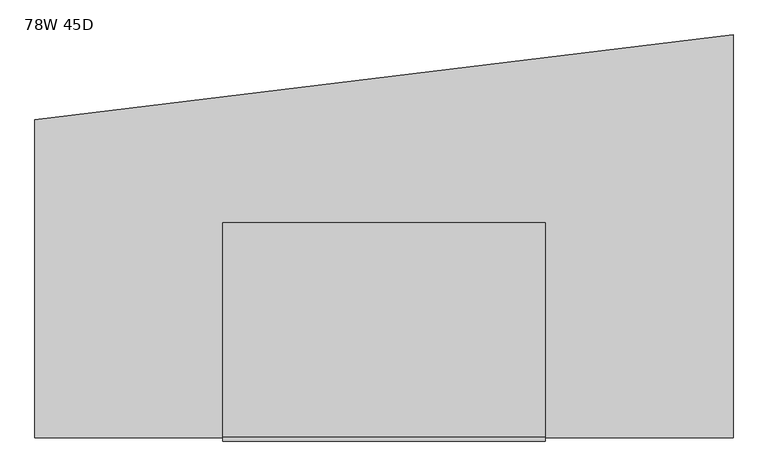
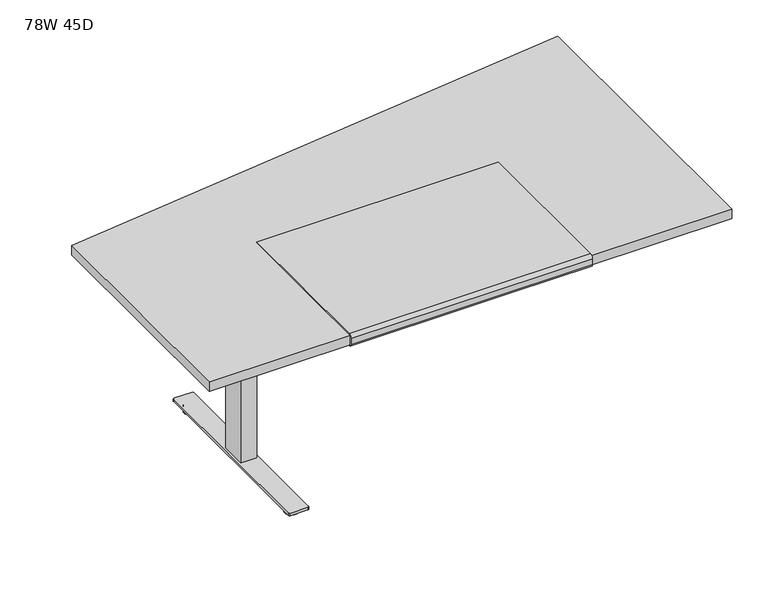
"""IFC4 building model written with IfcOpenShell, lengths in millimetres: furniture geometry, 78W 45D."""

from ifc_helpers import new_model, si_unit, point, frame, frame_2d, origin, origin_with_axes, place, context, project, spatial, polyline, circle_curve, trimmed, segment, composite_curve, outline, extrude, source, transform, mapped, element, save


def furniture_78w_45d_086e8bfa(model_context):
    return source(origin(), model_context, "Body", "SweptSolid", [
        extrude(outline(composite_curve([segment(polyline([(-1152.3981828, 711.2566341), (-1152.3981828, 706.2597008)]), True, "CONTINUOUS"), segment(trimmed(circle_curve(frame_2d((-1152.3981828, 718.9597008)), 12.7), [point((-1152.3981828, 706.2597008))], [point((-1165.0981828, 718.9597008))], False, "CARTESIAN"), True, "CONTINUOUS"), segment(polyline([(-1165.0981828, 718.9597008), (-1165.0981828, 741.3625)]), True, "CONTINUOUS"), segment(trimmed(circle_curve(frame_2d((-1152.3981828, 741.3625)), 12.7), [point((-1165.0981828, 741.3625))], [point((-1152.3981828, 754.0625))], False, "CARTESIAN"), True, "CONTINUOUS"), segment(polyline([(-1152.3981828, 754.0625), (-545.9731828, 754.0625), (-545.9731828, 749.3), (-1152.2350132, 749.3)]), True, "CONTINUOUS"), segment(trimmed(circle_curve(frame_2d((-1152.2350132, 741.3625)), 7.9375), [point((-1152.2350132, 749.3))], [point((-1160.1725132, 741.3625))], True, "CARTESIAN"), True, "CONTINUOUS"), segment(polyline([(-1160.1725132, 741.3625), (-1160.1725132, 717.6066341)]), True, "CONTINUOUS"), segment(trimmed(circle_curve(frame_2d((-1153.8225132, 717.6066341)), 6.35), [point((-1160.1725132, 717.6066341))], [point((-1153.8225132, 711.2566341))], True, "CARTESIAN"), True, "CONTINUOUS"), segment(polyline([(-1153.8225132, 711.2566341), (-1152.3981828, 711.2566341)]), True, "CONTINUOUS")], self_intersect=False)), frame((-469.9, 0.0, 0.0), z_axis=(1.0, 0.0, 0.0), x_axis=(0.0, 1.0, 0.0)), (0.0, 0.0, 1.0), 914.4),
        extrude(outline(polyline([(-933.45, 692.15), (-933.45, 711.2), (-412.75, 711.2), (-412.75, 692.15), (-614.3625, 635.0), (-731.8375, 635.0), (-933.45, 692.15)])), frame((-643.73125, 0.0, 0.0), z_axis=(1.0, 0.0, 0.0), x_axis=(0.0, 1.0, 0.0)), (0.0, 0.0, 1.0), 2.38125),
        extrude(outline(polyline([(-453.23125, -614.3625), (-453.23125, -731.8375), (-641.35, -731.8375), (-641.35, -614.3625), (-453.23125, -614.3625)])), frame((0.0, 0.0, 655.6375), z_axis=(0.0, 0.0, 1.0), x_axis=(1.0, 0.0, 0.0)), (0.0, 0.0, 1.0), 55.5625),
        extrude(outline(polyline([(-577.85, -628.65), (-577.85, -717.55), (-628.65, -717.55), (-628.65, -628.65), (-577.85, -628.65)])), frame((0.0, 0.0, 654.05), z_axis=(0.0, 0.0, 1.0), x_axis=(1.0, 0.0, 0.0)), (0.0, 0.0, 1.0), 1.5875),
        extrude(outline(polyline([(-573.2859375, -623.09375), (-573.2859375, -723.10625), (-633.2140625, -723.10625), (-633.2140625, -623.09375), (-573.2859375, -623.09375)])), frame((0.0, 0.0, 31.75), z_axis=(0.0, 0.0, 1.0), x_axis=(1.0, 0.0, 0.0)), (0.0, 0.0, 1.0), 622.3),
        extrude(outline(composite_curve([segment(trimmed(circle_curve(frame_2d((-603.25, -1003.3)), 25.4), [point((-628.65, -1003.3))], [point((-577.85, -1003.3))], False, "CARTESIAN"), True, "CONTINUOUS"), segment(trimmed(circle_curve(frame_2d((-603.25, -1003.3)), 25.4), [point((-577.85, -1003.3))], [point((-628.65, -1003.3))], False, "CARTESIAN"), True, "CONTINUOUS")], self_intersect=False)), origin_with_axes(), (0.0, 0.0, 1.0), 9.525),
        extrude(outline(composite_curve([segment(trimmed(circle_curve(frame_2d((-603.25, -342.9)), 25.4), [point((-628.65, -342.9))], [point((-577.85, -342.9))], False, "CARTESIAN"), True, "CONTINUOUS"), segment(trimmed(circle_curve(frame_2d((-603.25, -342.9)), 25.4), [point((-577.85, -342.9))], [point((-628.65, -342.9))], False, "CARTESIAN"), True, "CONTINUOUS")], self_intersect=False)), origin_with_axes(), (0.0, 0.0, 1.0), 9.525),
        extrude(outline(composite_curve([segment(polyline([(-628.65, -1003.3), (-628.65, -342.9)]), True, "CONTINUOUS"), segment(trimmed(circle_curve(frame_2d((-603.25, -342.9)), 25.4), [point((-628.65, -342.9))], [point((-603.25, -317.5))], False, "CARTESIAN"), True, "CONTINUOUS"), segment(trimmed(circle_curve(frame_2d((-603.25, -342.9)), 25.4), [point((-603.25, -317.5))], [point((-577.85, -342.9))], False, "CARTESIAN"), True, "CONTINUOUS"), segment(polyline([(-577.85, -342.9), (-577.85, -1003.3)]), True, "CONTINUOUS"), segment(trimmed(circle_curve(frame_2d((-603.25, -1003.3)), 25.4), [point((-577.85, -1003.3))], [point((-603.25, -1028.7))], False, "CARTESIAN"), True, "CONTINUOUS"), segment(trimmed(circle_curve(frame_2d((-603.25, -1003.3)), 25.4), [point((-603.25, -1028.7))], [point((-628.65, -1003.3))], False, "CARTESIAN"), True, "CONTINUOUS")], self_intersect=False)), frame((0.0, 0.0, 9.525), z_axis=(0.0, 0.0, 1.0), x_axis=(1.0, 0.0, 0.0)), (0.0, 0.0, 1.0), 12.7),
        extrude(outline(composite_curve([segment(trimmed(circle_curve(frame_2d((-569.9125, -296.8625)), 4.7625), [point((-569.9125, -292.1))], [point((-565.15, -296.8625))], False, "CARTESIAN"), True, "CONTINUOUS"), segment(polyline([(-565.15, -296.8625), (-565.15, -1049.3375)]), True, "CONTINUOUS"), segment(trimmed(circle_curve(frame_2d((-569.9125, -1049.3375)), 4.7625), [point((-565.15, -1049.3375))], [point((-569.9125, -1054.1))], False, "CARTESIAN"), True, "CONTINUOUS"), segment(polyline([(-569.9125, -1054.1), (-636.5875, -1054.1)]), True, "CONTINUOUS"), segment(trimmed(circle_curve(frame_2d((-636.5875, -1049.3375)), 4.7625), [point((-636.5875, -1054.1))], [point((-641.35, -1049.3375))], False, "CARTESIAN"), True, "CONTINUOUS"), segment(polyline([(-641.35, -1049.3375), (-641.35, -296.8625)]), True, "CONTINUOUS"), segment(trimmed(circle_curve(frame_2d((-636.5875, -296.8625)), 4.7625), [point((-641.35, -296.8625))], [point((-636.5875, -292.1))], False, "CARTESIAN"), True, "CONTINUOUS"), segment(polyline([(-636.5875, -292.1), (-569.9125, -292.1)]), True, "CONTINUOUS")], self_intersect=False)), frame((0.0, 0.0, 22.225), z_axis=(0.0, 0.0, 1.0), x_axis=(1.0, 0.0, 0.0)), (0.0, 0.0, 1.0), 9.525),
        extrude(outline(polyline([(746.125, -330.2), (746.125, -838.2), (669.925, -838.2), (669.925, -330.2), (746.125, -330.2)])), frame((0.0, 0.0, 590.55), z_axis=(0.0, 0.0, 1.0), x_axis=(1.0, 0.0, 0.0)), (0.0, 0.0, 1.0), 120.65),
        extrude(outline(polyline([(-1003.3, -254.0), (977.9, -12.7), (977.9, -1155.7), (-1003.3, -1155.7), (-1003.3, -254.0)])), frame((0.0, 0.0, 711.2), z_axis=(0.0, 0.0, 1.0), x_axis=(1.0, 0.0, 0.0)), (0.0, 0.0, 1.0), 38.1),
    ])


if __name__ == "__main__":
    model = new_model("IFC4")
    model_context = context("Model", 3, world=origin())
    ifc_project = project(units=[si_unit("LENGTHUNIT", "METRE", prefix="MILLI")], contexts=[model_context])
    site = spatial("IfcSite", under=ifc_project)
    building = spatial("IfcBuilding", under=site)
    placement = place(None, origin())
    furniture_78w_45d_shape = furniture_78w_45d_086e8bfa(model_context)
    element("IfcFurniture", 1, ObjectType="78W 45D", at=placement, inside=building, context=model_context, shape_type="MappedRepresentation", body=[
        mapped(furniture_78w_45d_shape, transform((0.0, 0.0, 0.0), x_axis=(1.0, 0.0, 0.0), y_axis=(0.0, 1.0, 0.0), z_axis=(0.0, 0.0, 1.0))),
    ])
    save(model, "model.ifc")
